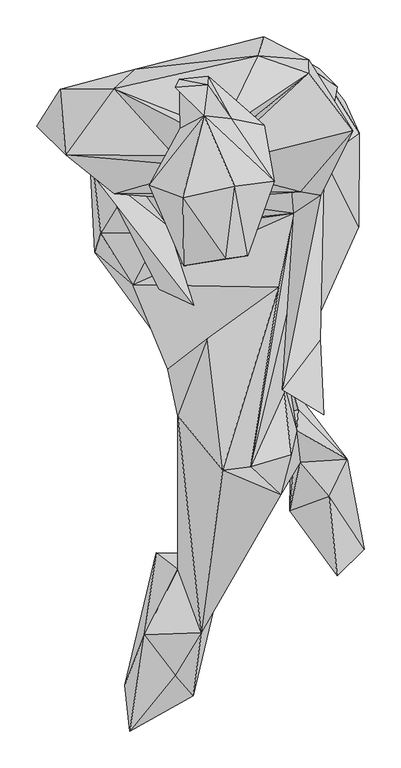
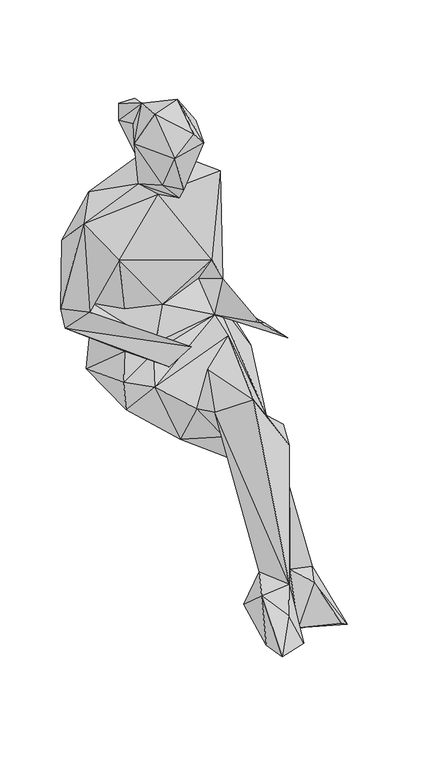
"""IFC4 building model written with IfcOpenShell, lengths in millimetres: geographic element geometry."""

from ifc_helpers import new_model, si_unit, origin, place, context, project, spatial, faceted_brep, source, transform, mapped, element, save


def geographic_element_1967f09a(model_context):
    return source(origin(), model_context, "Body", "Brep", [
        faceted_brep([(90.6861573, 115.2996048, 792.7830815), (162.7727896, 198.8512576, 974.024713), (-35.6362872, 149.3620723, 1006.4600706), (119.025141, 110.7057482, 731.6298485), (130.8348924, 201.4863789, 708.66853), (102.8928831, 296.0729301, 867.4957156), (102.3652628, 277.5769234, 989.8252487), (141.5260732, 259.3512535, 621.6406226), (40.9698226, 327.6379704, 780.9622288), (123.5798001, 161.6461724, 653.3081532), (33.8875875, 301.7431498, 985.2736592), (7.6500583, 200.9276003, 1055.1844835), (-16.0840154, 198.3718872, 1106.790185), (-163.9134437, 256.3231885, 993.4754968), (-134.7182095, 283.1797898, 659.1110229), (117.1216741, 284.0842903, 547.1309423), (171.4700609, 195.8272159, 591.4775729), (61.9240664, 297.5573242, 500.2667904), (151.8956721, 239.3939495, 514.310658), (170.7072556, 68.0344626, 548.6896634), (127.8018057, 163.439095, 445.1696873), (-105.9701964, 200.3939301, 431.2454164), (-96.3181779, 284.4752371, 491.9634759), (-107.2475463, -80.0251141, 463.0114436), (56.4578734, -7.5565935, 421.3361144), (119.9617982, 23.1350958, 474.3387699), (-199.0713626, 205.6711912, 525.8430243), (-189.9258643, 32.9057015, 507.9037547), (-184.4003797, 200.4662901, 711.6674781), (-148.8726288, 112.5569642, 614.4568324), (-181.4788431, 58.7462559, 569.6007013), (-138.2648498, -11.4569971, 581.6456079), (-100.3874168, 60.0708462, 625.0395179), (-101.8728018, -17.2648914, 632.8212619), (-235.3036106, 242.8220212, 632.5368285), (81.7657709, 85.954614, 655.4015875), (-89.7464827, 68.2424977, 645.9133029), (61.6929159, -14.6428468, 662.4737382), (-90.4057547, -127.1063387, 573.0568767), (-56.2176779, -195.9488243, 522.2421288), (-76.786004, -190.3851479, 597.040236), (-36.1046158, -85.2561444, 643.1466341), (-14.9966069, -265.0485933, 657.1392417), (23.5320702, -259.9110305, 594.9729681), (-44.5958599, -487.0660901, 269.1861689), (-76.7568573, -400.2974629, 263.4657025), (9.2339376, -283.7476134, 450.4227936), (-28.0977841, -457.8467607, 214.595601), (-121.9919026, -489.7474349, 264.5551264), (-106.084764, -377.5834441, 166.3947999), (-50.6811365, -378.380388, 184.4556481), (-55.4207154, -573.1624365, 154.1518867), (-148.584187, -558.6472154, 172.6549417), (-80.0854191, -544.9259877, 225.3390402), (-142.3049569, -621.8345761, 175.8598983), (64.1642138, -298.2196212, 517.0211196), (86.1716941, -211.1816108, 443.4661865), (91.2690535, -254.0458441, 123.0883524), (78.8683593, -243.8400686, 539.5271182), (22.2205445, -198.3668655, 430.2102625), (-1.2170548, -224.8978317, 321.6441274), (88.3786678, -182.3029518, 109.3811616), (57.1724251, -33.3700143, 452.4056613), (155.2925557, -249.8087734, 107.1229279), (76.6322389, -319.9467063, -0.5055149), (79.4060379, -150.9811133, 3.0833394), (178.5673648, -373.1544018, 6.5043583), (130.8228374, -300.5813658, 99.653773), (141.5331215, -409.2771113, 44.312451), (66.7993203, -141.6909099, 502.9983521), (95.1644331, -68.9419806, 465.0304914), (66.5008351, -155.1026255, 783.3189368), (118.2955131, -86.4370167, 723.7053514), (76.5809789, 152.7328342, 722.2621441), (123.2079417, -189.365074, 741.1782742), (-48.7977676, 103.9903387, 719.8159695), (-163.0069464, 113.2122204, 881.8752766), (-137.7151161, 130.5313855, 722.6098776), (-184.4003797, 200.4662901, 711.6674781), (-54.4518903, -39.2693616, 686.798811), (-213.0599618, 165.4893011, 717.634201), (-237.2563183, 255.5232048, 879.1637421), (-229.7037542, 166.1636382, 979.0386558), (-269.415319, 205.0068974, 723.2279778), (-81.5567374, 164.7908241, 1043.6198711), (-61.955221, 204.2390704, 1090.6559229), (-73.268503, 202.260226, 1190.5961037), (-115.1900664, 124.6531382, 1195.3165531), (-74.4724944, 269.6163058, 1160.2129936), (-35.0222327, 273.6212313, 1146.6525793), (41.8311059, 206.5425366, 1132.0689917), (28.6736488, 139.1020119, 1123.7233877), (-2.6964145, 215.0900513, 1159.255147), (-34.564957, 262.1260583, 1213.8166428), (55.4900579, 129.7746152, 1199.3154287), (19.2819275, 27.9842205, 1209.1926336), (-25.5038794, 46.5656593, 1077.7959824), (-17.659856, 80.8059946, 1031.666398), (-67.9842159, 14.3242618, 1201.4491558), (-76.2352645, 56.4789772, 1103.2445431), (1.5165447, 123.3496517, 1283.0541134), (-10.7746031, 23.6928705, 1246.6288805), (-69.4786534, 107.2053388, 1275.0020027), (-40.0562771, 219.2035168, 1227.5850773), (-79.8442215, 258.5552931, 1218.5803652)], [[[0, 1, 2]], [[3, 4, 1]], [[1, 4, 5]], [[5, 6, 1]], [[6, 2, 1]], [[3, 1, 0]], [[7, 8, 4]], [[4, 8, 5]], [[9, 4, 3]], [[7, 4, 9]], [[10, 5, 8]], [[6, 5, 10]], [[6, 11, 2]], [[11, 6, 12]], [[10, 12, 6]], [[12, 10, 13]], [[10, 14, 13]], [[14, 10, 8]], [[8, 15, 14]], [[8, 7, 15]], [[9, 15, 7]], [[16, 15, 9]], [[15, 17, 14]], [[17, 15, 18]], [[18, 15, 16]], [[19, 16, 9]], [[19, 18, 16]], [[19, 20, 18]], [[17, 18, 20]], [[17, 20, 21]], [[14, 17, 22]], [[17, 21, 22]], [[23, 21, 20]], [[23, 20, 24]], [[25, 24, 20]], [[20, 19, 25]], [[26, 21, 27]], [[23, 27, 21]], [[21, 26, 22]], [[22, 26, 14]], [[28, 14, 26]], [[28, 26, 29]], [[30, 26, 27]], [[30, 29, 26]], [[23, 31, 27]], [[27, 31, 30]], [[32, 29, 30]], [[31, 32, 30]], [[29, 33, 34]], [[32, 33, 29]], [[34, 28, 29]], [[31, 35, 32]], [[36, 33, 32]], [[35, 36, 32]], [[37, 31, 38]], [[38, 31, 23]], [[35, 31, 37]], [[38, 23, 39]], [[40, 38, 39]], [[38, 41, 37]], [[41, 38, 40]], [[42, 37, 41]], [[37, 42, 43]], [[43, 35, 37]], [[40, 42, 41]], [[44, 42, 40]], [[44, 40, 45]], [[40, 39, 45]], [[39, 46, 45]], [[39, 23, 46]], [[46, 47, 45]], [[48, 44, 45]], [[49, 48, 45]], [[45, 47, 50]], [[50, 49, 45]], [[47, 51, 50]], [[44, 51, 47]], [[44, 47, 46]], [[50, 51, 49]], [[48, 49, 52]], [[52, 49, 51]], [[53, 48, 54]], [[44, 48, 53]], [[52, 54, 48]], [[54, 52, 51]], [[51, 44, 53]], [[51, 53, 54]], [[55, 42, 44]], [[44, 46, 55]], [[55, 43, 42]], [[56, 55, 57]], [[55, 46, 57]], [[56, 58, 55]], [[55, 58, 43]], [[59, 46, 23]], [[46, 60, 57]], [[46, 59, 60]], [[23, 24, 59]], [[60, 59, 61]], [[56, 61, 59]], [[56, 59, 62]], [[59, 24, 62]], [[60, 61, 57]], [[61, 56, 63]], [[64, 57, 61]], [[65, 64, 61]], [[65, 61, 63]], [[63, 66, 65]], [[66, 63, 67]], [[63, 56, 57]], [[67, 63, 57]], [[64, 65, 66]], [[57, 64, 67]], [[68, 64, 66]], [[67, 64, 68]], [[66, 67, 68]], [[69, 58, 56]], [[62, 69, 56]], [[69, 43, 58]], [[69, 19, 43]], [[69, 70, 19]], [[69, 62, 70]], [[19, 9, 43]], [[9, 35, 43]], [[19, 70, 25]], [[25, 70, 24]], [[70, 62, 24]], [[9, 3, 71]], [[72, 35, 9]], [[72, 9, 71]], [[35, 71, 3]], [[35, 3, 73]], [[0, 73, 3]], [[74, 72, 71]], [[35, 74, 71]], [[35, 72, 74]], [[35, 75, 36]], [[73, 75, 35]], [[0, 75, 73]], [[0, 2, 76]], [[0, 76, 75]], [[77, 75, 76]], [[75, 78, 36]], [[75, 77, 78]], [[79, 36, 80]], [[80, 36, 78]], [[79, 33, 36]], [[28, 81, 14]], [[76, 80, 78]], [[28, 34, 81]], [[76, 78, 77]], [[82, 81, 83]], [[81, 34, 83]], [[81, 82, 13]], [[81, 13, 14]], [[34, 79, 80]], [[79, 34, 33]], [[83, 34, 80]], [[82, 83, 80]], [[82, 80, 76]], [[82, 84, 13]], [[2, 84, 82]], [[82, 76, 2]], [[85, 13, 84]], [[13, 85, 12]], [[86, 85, 87]], [[86, 88, 85]], [[87, 85, 84]], [[89, 85, 88]], [[12, 85, 89]], [[12, 90, 91]], [[90, 12, 89]], [[12, 91, 11]], [[92, 89, 93]], [[89, 88, 93]], [[92, 90, 89]], [[90, 94, 91]], [[92, 94, 90]], [[95, 96, 91]], [[95, 91, 94]], [[96, 11, 91]], [[97, 2, 11]], [[97, 11, 96]], [[96, 95, 98]], [[99, 97, 96]], [[98, 99, 96]], [[95, 94, 100]], [[95, 101, 98]], [[95, 100, 101]], [[102, 87, 98]], [[98, 101, 102]], [[98, 87, 99]], [[99, 87, 84]], [[99, 84, 97]], [[84, 2, 97]], [[87, 102, 103]], [[87, 103, 86]], [[102, 100, 103]], [[102, 101, 100]], [[94, 103, 100]], [[92, 103, 94]], [[92, 93, 103]], [[88, 103, 104]], [[103, 93, 104]], [[86, 103, 88]], [[104, 93, 88]]]),
    ])


if __name__ == "__main__":
    model = new_model("IFC4")
    model_context = context("Model", 3, world=origin())
    ifc_project = project(units=[si_unit("LENGTHUNIT", "METRE", prefix="MILLI")], contexts=[model_context])
    site = spatial("IfcSite", under=ifc_project)
    building = spatial("IfcBuilding", under=site)
    placement = place(None, origin())
    geographic_element_shape = geographic_element_1967f09a(model_context)
    element("IfcGeographicElement", 1, at=placement, inside=building, context=model_context, shape_type="MappedRepresentation", body=[
        mapped(geographic_element_shape, transform((0.0, 0.0, 0.0), x_axis=(1.0, 0.0, 0.0), y_axis=(0.0, 1.0, 0.0), z_axis=(0.0, 0.0, 1.0))),
    ])
    save(model, "model.ifc")
